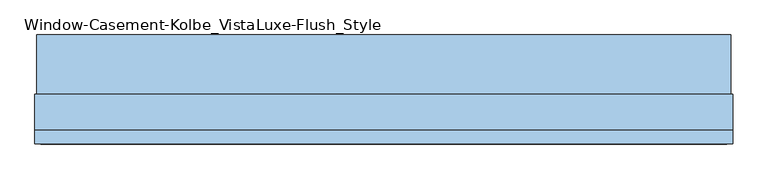
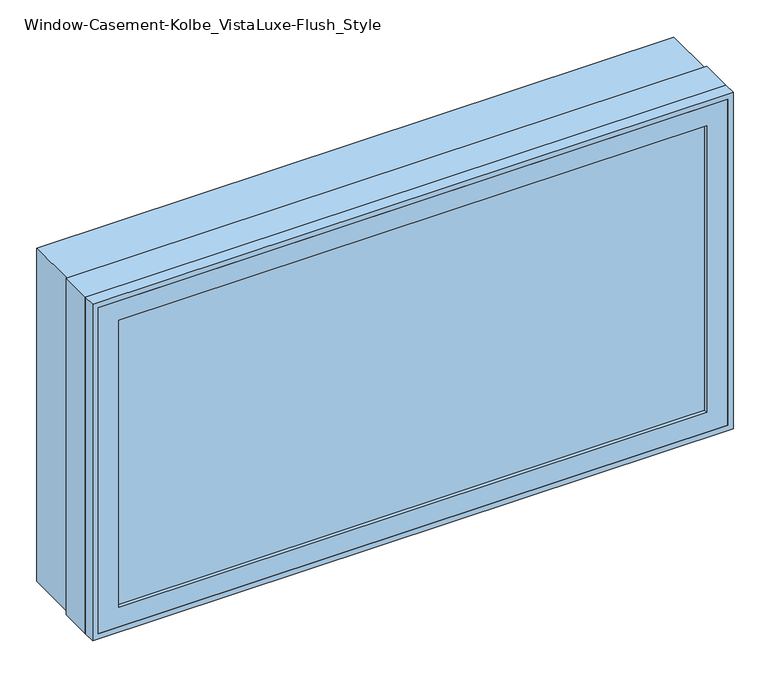
"""IFC4 building model written with IfcOpenShell, lengths in millimetres: window geometry, Window-Casement-Kolbe_VistaLuxe-Flush_Style."""

from ifc_helpers import new_model, si_unit, frame, origin, place, context, project, spatial, polyline, outline, extrude, faceted_brep, source, transform, mapped, element, save


def window_casement_kolbe_vistaluxe_flush_style_e1fd5c6b(model_context):
    return source(origin(), model_context, "Body", "SolidModel", [
        faceted_brep([(-635.0696599, -111.85398, 970.676875), (-635.0696599, -119.79148, 970.676875), (623.9765901, -119.79148, 970.676875), (623.9765901, -111.85398, 970.676875), (-650.9446599, -89.60358, 954.801875), (-650.9446599, -111.85398, 954.801875), (639.8515901, -111.85398, 954.801875), (639.8515901, -89.60358, 954.801875), (-635.0696599, -70.57898, 970.676875), (-635.0696599, -89.60358, 970.676875), (623.9765901, -89.60358, 970.676875), (623.9765901, -70.57898, 970.676875), (-679.5196599, -119.79148, 926.226875), (-679.5196599, -70.57898, 926.226875), (668.4265901, -70.57898, 926.226875), (668.4265901, -119.79148, 926.226875), (623.9765901, -119.79148, 1620.123125), (623.9765901, -111.85398, 1620.123125), (639.8515901, -111.85398, 1635.998125), (639.8515901, -89.60358, 1635.998125), (623.9765901, -89.60358, 1620.123125), (623.9765901, -70.57898, 1620.123125), (668.4265901, -70.57898, 1664.573125), (668.4265901, -119.79148, 1664.573125), (-635.0696599, -119.79148, 1620.123125), (-635.0696599, -111.85398, 1620.123125), (-650.9446599, -111.85398, 1635.998125), (-650.9446599, -89.60358, 1635.998125), (-635.0696599, -89.60358, 1620.123125), (-635.0696599, -70.57898, 1620.123125), (-679.5196599, -70.57898, 1664.573125), (-679.5196599, -119.79148, 1664.573125)], [[[0, 1, 2, 3]], [[4, 5, 6, 7]], [[8, 9, 10, 11]], [[12, 13, 14, 15]], [[3, 2, 16, 17]], [[7, 6, 18, 19]], [[11, 10, 20, 21]], [[15, 14, 22, 23]], [[17, 16, 24, 25]], [[19, 18, 26, 27]], [[21, 20, 28, 29]], [[23, 22, 30, 31]], [[25, 24, 1, 0]], [[5, 26, 18, 6], [3, 17, 25, 0]], [[27, 26, 5, 4]], [[7, 19, 27, 4], [9, 28, 20, 10]], [[29, 28, 9, 8]], [[13, 30, 22, 14], [11, 21, 29, 8]], [[31, 30, 13, 12]], [[15, 23, 31, 12], [1, 24, 16, 2]]]),
        extrude(outline(polyline([(1672.8186, 676.6720651), (1672.8186, -687.7651349), (917.9814, -687.7651349), (917.9814, 676.6720651), (1672.8186, 676.6720651)]), holes=[polyline([(936.545625, 658.1078401), (936.545625, -669.2009099), (1654.254375, -669.2009099), (1654.254375, 658.1078401), (936.545625, 658.1078401)])]), frame((0.0, -22.9997, 0.0), z_axis=(0.0, 1.0, 0.0), x_axis=(0.0, 0.0, 1.0)), (0.0, 0.0, 1.0), 116.6622),
        extrude(outline(polyline([(1676.4, -691.3465349), (914.4, -691.3465349), (914.4, 680.2534651), (1676.4, 680.2534651), (1676.4, -691.3465349)]), holes=[polyline([(1664.573125, 668.4265901), (926.226875, 668.4265901), (926.226875, -679.5196599), (1664.573125, -679.5196599), (1664.573125, 668.4265901)])]), frame((0.0, -120.5865, 0.0), z_axis=(0.0, 1.0, 0.0), x_axis=(0.0, 0.0, 1.0)), (0.0, 0.0, 1.0), 26.924),
        faceted_brep([(680.2534651, -22.9997, 914.4), (680.2534651, -93.6625, 914.4), (-691.3465349, -93.6625, 914.4), (-691.3465349, -22.9997, 914.4), (658.1078401, -70.58025, 936.545625), (658.1078401, -22.9997, 936.545625), (-669.2009099, -22.9997, 936.545625), (-669.2009099, -70.58025, 936.545625), (668.4265901, -93.6625, 926.226875), (668.4265901, -70.58025, 926.226875), (-679.5196599, -70.58025, 926.226875), (-679.5196599, -93.6625, 926.226875), (-691.3465349, -93.6625, 1676.4), (-691.3465349, -22.9997, 1676.4), (-669.2009099, -22.9997, 1654.254375), (-669.2009099, -70.58025, 1654.254375), (-679.5196599, -70.58025, 1664.573125), (-679.5196599, -93.6625, 1664.573125), (680.2534651, -93.6625, 1676.4), (680.2534651, -22.9997, 1676.4), (658.1078401, -22.9997, 1654.254375), (658.1078401, -70.58025, 1654.254375), (668.4265901, -70.58025, 1664.573125), (668.4265901, -93.6625, 1664.573125)], [[[0, 1, 2, 3]], [[4, 5, 6, 7]], [[8, 9, 10, 11]], [[3, 2, 12, 13]], [[7, 6, 14, 15]], [[11, 10, 16, 17]], [[13, 12, 18, 19]], [[15, 14, 20, 21]], [[17, 16, 22, 23]], [[19, 18, 1, 0]], [[3, 13, 19, 0], [5, 20, 14, 6]], [[21, 20, 5, 4]], [[9, 22, 16, 10], [7, 15, 21, 4]], [[23, 22, 9, 8]], [[1, 18, 12, 2], [11, 17, 23, 8]]]),
        extrude(outline(polyline([(636.6765901, -92.77858), (-647.7696599, -92.77858), (-647.7696599, -89.60358), (636.6765901, -89.60358), (636.6765901, -92.77858)])), frame((0.0, 0.0, 957.976875), z_axis=(0.0, 0.0, 1.0), x_axis=(1.0, 0.0, 0.0)), (0.0, 0.0, 1.0), 674.84625),
        extrude(outline(polyline([(636.6765901, -108.67898), (636.6765901, -111.85398), (-647.7696599, -111.85398), (-647.7696599, -108.67898), (636.6765901, -108.67898)])), frame((0.0, 0.0, 957.976875), z_axis=(0.0, 0.0, 1.0), x_axis=(1.0, 0.0, 0.0)), (0.0, 0.0, 1.0), 674.84625),
        extrude(outline(polyline([(936.545625, 658.1078401), (1654.254375, 658.1078401), (1654.254375, -669.2009099), (936.545625, -669.2009099), (936.545625, 658.1078401)]), holes=[polyline([(954.801875, -650.9446599), (1635.998125, -650.9446599), (1635.998125, 639.8515901), (954.801875, 639.8515901), (954.801875, -650.9446599)])]), frame((0.0, -70.58025, 0.0), z_axis=(0.0, 1.0, 0.0), x_axis=(0.0, 0.0, 1.0)), (0.0, 0.0, 1.0), 50.8),
    ])


if __name__ == "__main__":
    model = new_model("IFC4")
    model_context = context("Model", 3, world=origin())
    ifc_project = project(units=[si_unit("LENGTHUNIT", "METRE", prefix="MILLI")], contexts=[model_context])
    site = spatial("IfcSite", under=ifc_project)
    building = spatial("IfcBuilding", under=site)
    placement = place(None, origin())
    window_casement_kolbe_vistaluxe_flush_style_shape = window_casement_kolbe_vistaluxe_flush_style_e1fd5c6b(model_context)
    element("IfcWindow", 1, ObjectType="Window-Casement-Kolbe_VistaLuxe-Flush_Style", at=placement, inside=building, context=model_context, shape_type="MappedRepresentation", body=[
        mapped(window_casement_kolbe_vistaluxe_flush_style_shape, transform((0.0, 0.0, 0.0), x_axis=(1.0, 0.0, 0.0), y_axis=(0.0, 1.0, 0.0), z_axis=(0.0, 0.0, 1.0))),
    ])
    save(model, "model.ifc")
